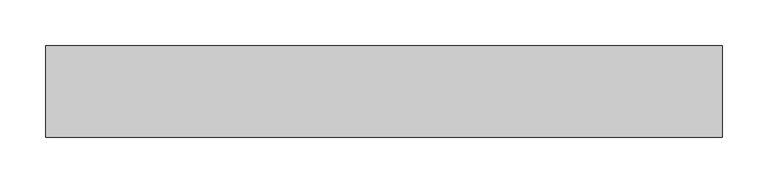
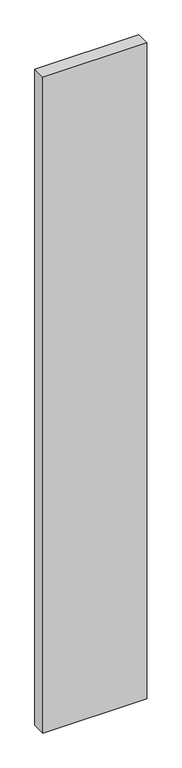
"""IFC4 building model written with IfcOpenShell, lengths in millimetres: proxy geometry."""

from ifc_helpers import new_model, si_unit, frame, origin, place, context, project, spatial, polyline, outline, extrude, source, transform, mapped, element, save


def generic_models_a9ccffa4(model_context):
    return source(origin(), model_context, "Body", "SweptSolid", [
        extrude(outline(polyline([(740.0, 100.0), (740.0, 0.0), (0.0, 0.0), (0.0, 100.0), (740.0, 100.0)])), frame((0.0, 0.0, -4950.0), z_axis=(0.0, 0.0, 1.0), x_axis=(1.0, 0.0, 0.0)), (0.0, 0.0, 1.0), 4950.0),
    ])


if __name__ == "__main__":
    model = new_model("IFC4")
    model_context = context("Model", 3, world=origin())
    ifc_project = project(units=[si_unit("LENGTHUNIT", "METRE", prefix="MILLI")], contexts=[model_context])
    site = spatial("IfcSite", under=ifc_project)
    building = spatial("IfcBuilding", under=site)
    placement = place(None, origin())
    generic_models_shape = generic_models_a9ccffa4(model_context)
    element("IfcBuildingElementProxy", 1, Name="Generic Models", at=placement, inside=building, context=model_context, shape_type="MappedRepresentation", body=[
        mapped(generic_models_shape, transform((0.0, 0.0, 0.0), x_axis=(1.0, 0.0, 0.0), y_axis=(0.0, 1.0, 0.0), z_axis=(0.0, 0.0, 1.0))),
    ])
    save(model, "model.ifc")
